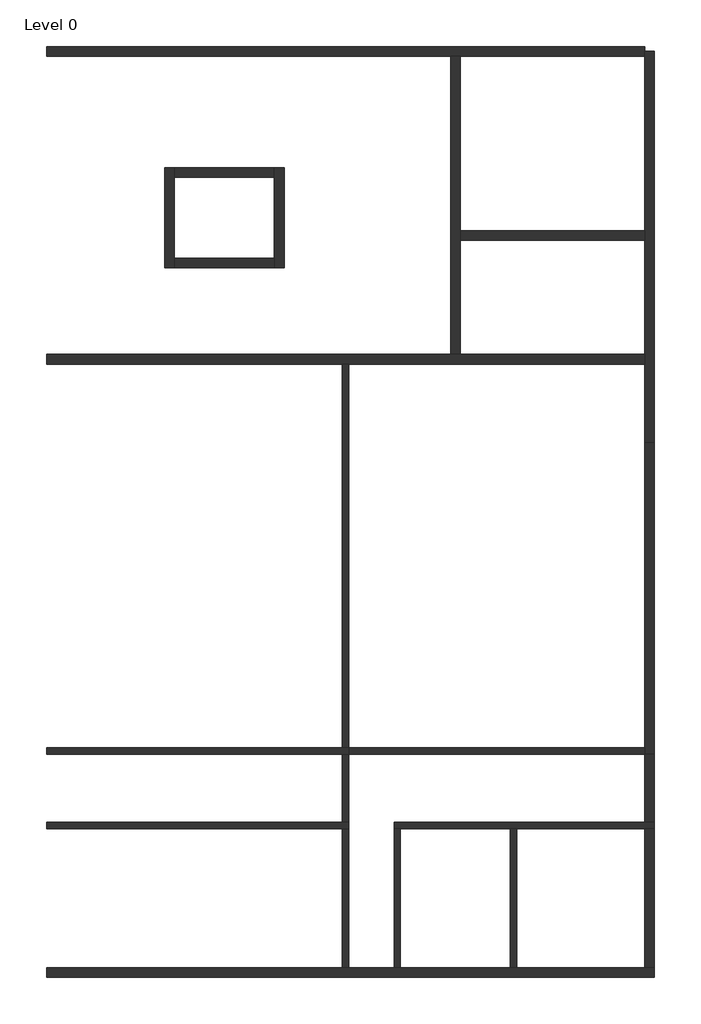
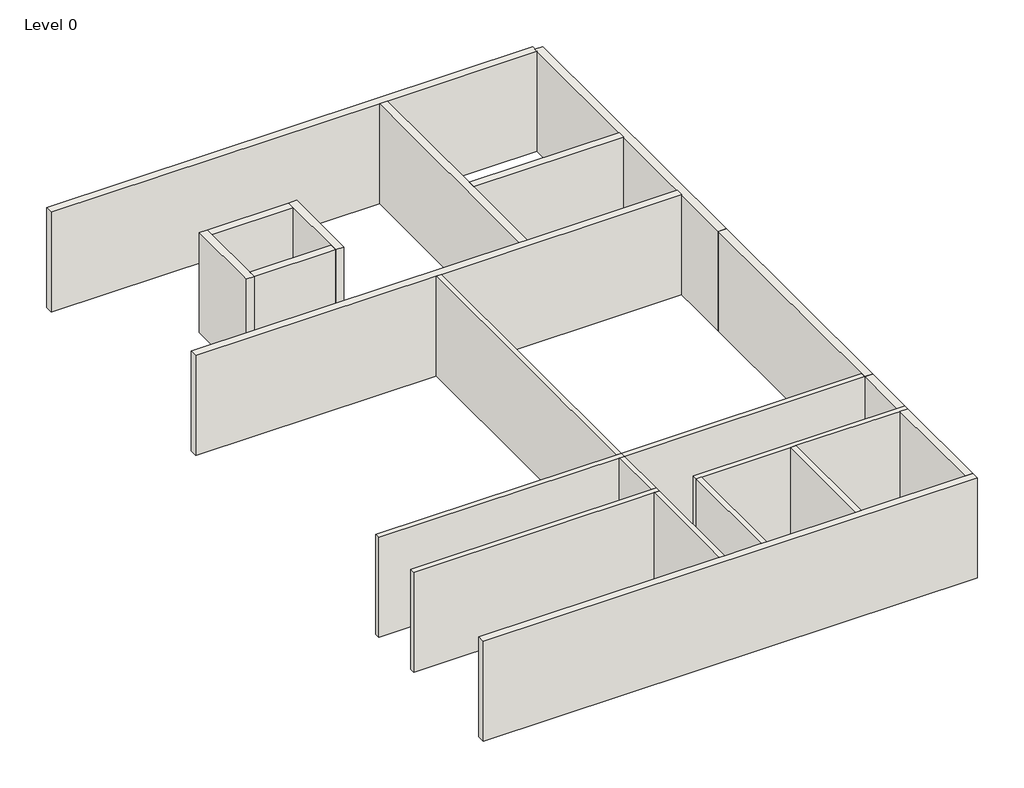
# One storey: 22 walls.
"""IFC4 building model written with IfcOpenShell, lengths in millimetres."""

from ifc_helpers import new_model, si_unit, origin, origin_with_axes, place, context, project, spatial, polyline, outline, extrude, faceted_brep, element, save

model = new_model("IFC4")

# Units and contexts
model_context = context("Model", 3, world=origin())
ifc_project = project(units=[si_unit("LENGTHUNIT", "METRE", prefix="MILLI")], contexts=[model_context])

# Site, building, storey
site = spatial("IfcSite", under=ifc_project)
building = spatial("IfcBuilding", under=site)
storey = spatial("IfcBuildingStorey", under=building, Name="Level 0", Elevation=0.0)

# Walls
placement = place(None, origin())
element("IfcWall", 1, at=placement, inside=storey, context=model_context, shape_type="SweptSolid", body=[
    extrude(outline(polyline([(5888.5110253, 16698.9861135), (5888.5110253, 12398.9861135), (5688.5110253, 12398.9861135), (5688.5110253, 16698.9861135), (5888.5110253, 16698.9861135)])), origin_with_axes(), (0.0, 0.0, 1.0), 4020.0),
])
element("IfcWall", 2, at=placement, inside=storey, context=model_context, shape_type="SweptSolid", body=[
    extrude(outline(polyline([(10138.5110253, 16698.9861135), (10138.5110253, 12398.9861135), (9838.5110253, 12398.9861135), (9838.5110253, 16698.9861135), (10138.5110253, 16698.9861135)])), origin_with_axes(), (0.0, 0.0, 1.0), 4020.0),
])
element("IfcWall", 3, at=placement, inside=storey, context=model_context, shape_type="SweptSolid", body=[
    extrude(outline(polyline([(2288.5110253, 16698.9861135), (2288.5110253, 12398.9861135), (2088.5110253, 12398.9861135), (2088.5110253, 16698.9861135), (2288.5110253, 16698.9861135)])), origin_with_axes(), (0.0, 0.0, 1.0), 4020.0),
])
element("IfcWall", 4, at=placement, inside=storey, context=model_context, shape_type="SweptSolid", body=[
    extrude(outline(polyline([(688.5110253, 16698.9861135), (688.5110253, 12398.9861135), (488.5110253, 12398.9861135), (488.5110253, 16698.9861135), (688.5110253, 16698.9861135)])), origin_with_axes(), (0.0, 0.0, 1.0), 4020.0),
])
element("IfcWall", 5, at=placement, inside=storey, context=model_context, shape_type="Brep", body=[
    faceted_brep([(-8661.4889747, 31073.9861135, 0.0), (488.5110253, 31073.9861135, 0.0), (688.5110253, 31073.9861135, 0.0), (9838.5110253, 31073.9861135, 0.0), (9838.5110253, 31073.9861135, 4020.0), (688.5110253, 31073.9861135, 4020.0), (488.5110253, 31073.9861135, 4020.0), (-8661.4889747, 31073.9861135, 4020.0), (-8661.4889747, 31373.9861135, 0.0), (-8661.4889747, 31373.9861135, 4020.0), (3838.5110253, 31373.9861135, 4020.0), (4138.5110253, 31373.9861135, 4020.0), (9838.5110253, 31373.9861135, 4020.0), (9838.5110253, 31373.9861135, 0.0), (4138.5110253, 31373.9861135, 0.0), (3838.5110253, 31373.9861135, 0.0)], [[[0, 1, 2, 3, 4, 5, 6, 7]], [[8, 9, 10, 11, 12, 13, 14, 15]], [[3, 2, 1, 0, 8, 15, 14, 13]], [[4, 3, 13, 12]], [[7, 6, 5, 4, 12, 11, 10, 9]], [[0, 7, 9, 8]]]),
])
element("IfcWall", 6, at=placement, inside=storey, context=model_context, shape_type="SweptSolid", body=[
    extrude(outline(polyline([(9838.5110253, 34898.9861135), (4138.5110253, 34898.9861135), (4138.5110253, 35198.9861135), (9838.5110253, 35198.9861135), (9838.5110253, 34898.9861135)])), origin_with_axes(), (0.0, 0.0, 1.0), 4020.0),
])
element("IfcWall", 7, at=placement, inside=storey, context=model_context, shape_type="SweptSolid", body=[
    extrude(outline(polyline([(9838.5110253, 28648.9861135), (9838.5110253, 40748.9861135), (10138.5110253, 40748.9861135), (10138.5110253, 28648.9861135), (9838.5110253, 28648.9861135)])), origin_with_axes(), (0.0, 0.0, 1.0), 4020.0),
])
element("IfcWall", 8, at=placement, inside=storey, context=model_context, shape_type="Brep", body=[
    faceted_brep([(-1611.4889747, 37148.9861135, 0.0), (-1611.4889747, 36848.9861135, 0.0), (-1611.4889747, 34348.9861135, 0.0), (-1611.4889747, 34048.9861135, 0.0), (-1611.4889747, 34048.9861135, 4020.0), (-1611.4889747, 34348.9861135, 4020.0), (-1611.4889747, 36848.9861135, 4020.0), (-1611.4889747, 37148.9861135, 4020.0), (-1311.4889747, 37148.9861135, 0.0), (-1311.4889747, 37148.9861135, 4020.0), (-1311.4889747, 34048.9861135, 4020.0), (-1311.4889747, 34048.9861135, 0.0)], [[[0, 1, 2, 3, 4, 5, 6, 7]], [[8, 9, 10, 11]], [[3, 2, 1, 0, 8, 11]], [[7, 6, 5, 4, 10, 9]], [[4, 3, 11, 10]], [[0, 7, 9, 8]]]),
])
element("IfcWall", 9, at=placement, inside=storey, context=model_context, shape_type="Brep", body=[
    faceted_brep([(-5011.4889747, 37148.9861135, 0.0), (-5011.4889747, 34048.9861135, 0.0), (-5011.4889747, 34048.9861135, 4020.0), (-5011.4889747, 37148.9861135, 4020.0), (-4711.4889747, 37148.9861135, 0.0), (-4711.4889747, 37148.9861135, 4020.0), (-4711.4889747, 36848.9861135, 4020.0), (-4711.4889747, 34348.9861135, 4020.0), (-4711.4889747, 34048.9861135, 4020.0), (-4711.4889747, 34048.9861135, 0.0), (-4711.4889747, 34348.9861135, 0.0), (-4711.4889747, 36848.9861135, 0.0)], [[[0, 1, 2, 3]], [[4, 5, 6, 7, 8, 9, 10, 11]], [[1, 0, 4, 11, 10, 9]], [[3, 2, 8, 7, 6, 5]], [[2, 1, 9, 8]], [[0, 3, 5, 4]]]),
])
element("IfcWall", 10, at=placement, inside=storey, context=model_context, shape_type="Brep", body=[
    faceted_brep([(3838.5110253, 40598.9861135, 0.0), (3838.5110253, 31373.9861135, 0.0), (3838.5110253, 31373.9861135, 4020.0), (3838.5110253, 40598.9861135, 4020.0), (4138.5110253, 40598.9861135, 0.0), (4138.5110253, 40598.9861135, 4020.0), (4138.5110253, 35198.9861135, 4020.0), (4138.5110253, 34898.9861135, 4020.0), (4138.5110253, 31373.9861135, 4020.0), (4138.5110253, 31373.9861135, 0.0), (4138.5110253, 34898.9861135, 0.0), (4138.5110253, 35198.9861135, 0.0)], [[[0, 1, 2, 3]], [[4, 5, 6, 7, 8, 9, 10, 11]], [[1, 0, 4, 11, 10, 9]], [[3, 2, 8, 7, 6, 5]], [[0, 3, 5, 4]], [[2, 1, 9, 8]]]),
])
element("IfcWall", 11, at=placement, inside=storey, context=model_context, shape_type="SweptSolid", body=[
    extrude(outline(polyline([(488.5110253, 19198.9861135), (488.5110253, 31073.9861135), (688.5110253, 31073.9861135), (688.5110253, 19198.9861135), (488.5110253, 19198.9861135)])), origin_with_axes(), (0.0, 0.0, 1.0), 4020.0),
])
element("IfcWall", 12, at=placement, inside=storey, context=model_context, shape_type="SweptSolid", body=[
    extrude(outline(polyline([(9838.5110253, 18998.9861135), (688.5110253, 18998.9861135), (688.5110253, 19198.9861135), (9838.5110253, 19198.9861135), (9838.5110253, 18998.9861135)])), origin_with_axes(), (0.0, 0.0, 1.0), 4020.0),
])
element("IfcWall", 13, at=placement, inside=storey, context=model_context, shape_type="SweptSolid", body=[
    extrude(outline(polyline([(688.5110253, 16698.9861135), (-8661.4889747, 16698.9861135), (-8661.4889747, 16898.9861135), (688.5110253, 16898.9861135), (688.5110253, 16698.9861135)])), origin_with_axes(), (0.0, 0.0, 1.0), 4020.0),
])
element("IfcWall", 14, at=placement, inside=storey, context=model_context, shape_type="SweptSolid", body=[
    extrude(outline(polyline([(688.5110253, 18998.9861135), (-8661.4889747, 18998.9861135), (-8661.4889747, 19198.9861135), (688.5110253, 19198.9861135), (688.5110253, 18998.9861135)])), origin_with_axes(), (0.0, 0.0, 1.0), 4020.0),
])
element("IfcWall", 15, at=placement, inside=storey, context=model_context, shape_type="Brep", body=[
    faceted_brep([(2088.5110253, 16698.9861135, 0.0), (5688.5110253, 16698.9861135, 0.0), (5888.5110253, 16698.9861135, 0.0), (10138.5110253, 16698.9861135, 0.0), (10138.5110253, 16698.9861135, 4020.0), (5888.5110253, 16698.9861135, 4020.0), (5688.5110253, 16698.9861135, 4020.0), (2088.5110253, 16698.9861135, 4020.0), (2088.5110253, 16898.9861135, 0.0), (2088.5110253, 16898.9861135, 4020.0), (10138.5110253, 16898.9861135, 4020.0), (10138.5110253, 16898.9861135, 0.0)], [[[0, 1, 2, 3, 4, 5, 6, 7]], [[8, 9, 10, 11]], [[3, 2, 1, 0, 8, 11]], [[4, 3, 11, 10]], [[7, 6, 5, 4, 10, 9]], [[0, 7, 9, 8]]]),
])
element("IfcWall", 16, at=placement, inside=storey, context=model_context, shape_type="SweptSolid", body=[
    extrude(outline(polyline([(10138.5110253, 18998.9861135), (10138.5110253, 16898.9861135), (9838.5110253, 16898.9861135), (9838.5110253, 18998.9861135), (10138.5110253, 18998.9861135)])), origin_with_axes(), (0.0, 0.0, 1.0), 4020.0),
])
element("IfcWall", 17, at=placement, inside=storey, context=model_context, shape_type="SweptSolid", body=[
    extrude(outline(polyline([(688.5110253, 18998.9861135), (688.5110253, 16898.9861135), (488.5110253, 16898.9861135), (488.5110253, 18998.9861135), (688.5110253, 18998.9861135)])), origin_with_axes(), (0.0, 0.0, 1.0), 4020.0),
])
element("IfcWall", 18, at=placement, inside=storey, context=model_context, shape_type="SweptSolid", body=[
    extrude(outline(polyline([(-4711.4889747, 37148.9861135), (-1611.4889747, 37148.9861135), (-1611.4889747, 36848.9861135), (-4711.4889747, 36848.9861135), (-4711.4889747, 37148.9861135)])), origin_with_axes(), (0.0, 0.0, 1.0), 4020.0),
])
element("IfcWall", 19, at=placement, inside=storey, context=model_context, shape_type="SweptSolid", body=[
    extrude(outline(polyline([(-1611.4889747, 34048.9861135), (-4711.4889747, 34048.9861135), (-4711.4889747, 34348.9861135), (-1611.4889747, 34348.9861135), (-1611.4889747, 34048.9861135)])), origin_with_axes(), (0.0, 0.0, 1.0), 4020.0),
])
element("IfcWall", 20, at=placement, inside=storey, context=model_context, shape_type="SweptSolid", body=[
    extrude(outline(polyline([(9838.5110253, 18998.9861135), (9838.5110253, 28648.9861135), (10138.5110253, 28648.9861135), (10138.5110253, 18998.9861135), (9838.5110253, 18998.9861135)])), origin_with_axes(), (0.0, 0.0, 1.0), 4020.0),
])
element("IfcWall", 21, ObjectType="JTV Betong 300", at=placement, inside=storey, context=model_context, shape_type="Brep", body=[
    faceted_brep([(9838.5110253, 40898.9861135, 0.0), (-8661.4889747, 40898.9861135, 0.0), (-8661.4889747, 40898.9861135, 4020.0), (9838.5110253, 40898.9861135, 4020.0), (9838.5110253, 40598.9861135, 0.0), (9838.5110253, 40598.9861135, 4020.0), (4138.5110253, 40598.9861135, 4020.0), (3838.5110253, 40598.9861135, 4020.0), (-8661.4889747, 40598.9861135, 4020.0), (-8661.4889747, 40598.9861135, 0.0), (3838.5110253, 40598.9861135, 0.0), (4138.5110253, 40598.9861135, 0.0)], [[[0, 1, 2, 3]], [[4, 5, 6, 7, 8, 9, 10, 11]], [[1, 0, 4, 11, 10, 9]], [[2, 1, 9, 8]], [[3, 2, 8, 7, 6, 5]], [[0, 3, 5, 4]]]),
])
element("IfcWall", 22, ObjectType="Yttervegg Betong 300", at=placement, inside=storey, context=model_context, shape_type="Brep", body=[
    faceted_brep([(10138.5110253, 12398.9861135, 0.0), (9838.5110253, 12398.9861135, 0.0), (5888.5110253, 12398.9861135, 0.0), (5688.5110253, 12398.9861135, 0.0), (2288.5110253, 12398.9861135, 0.0), (2088.5110253, 12398.9861135, 0.0), (688.5110253, 12398.9861135, 0.0), (488.5110253, 12398.9861135, 0.0), (-8661.4889747, 12398.9861135, 0.0), (-8661.4889747, 12398.9861135, 4020.0), (488.5110253, 12398.9861135, 4020.0), (688.5110253, 12398.9861135, 4020.0), (2088.5110253, 12398.9861135, 4020.0), (2288.5110253, 12398.9861135, 4020.0), (5688.5110253, 12398.9861135, 4020.0), (5888.5110253, 12398.9861135, 4020.0), (9838.5110253, 12398.9861135, 4020.0), (10138.5110253, 12398.9861135, 4020.0), (10138.5110253, 12098.9861135, 0.0), (10138.5110253, 12098.9861135, 4020.0), (-8661.4889747, 12098.9861135, 4020.0), (-8661.4889747, 12098.9861135, 0.0)], [[[0, 1, 2, 3, 4, 5, 6, 7, 8, 9, 10, 11, 12, 13, 14, 15, 16, 17]], [[18, 19, 20, 21]], [[8, 7, 6, 5, 4, 3, 2, 1, 0, 18, 21]], [[9, 8, 21, 20]], [[17, 16, 15, 14, 13, 12, 11, 10, 9, 20, 19]], [[0, 17, 19, 18]]]),
])

save(model, "model.ifc")
